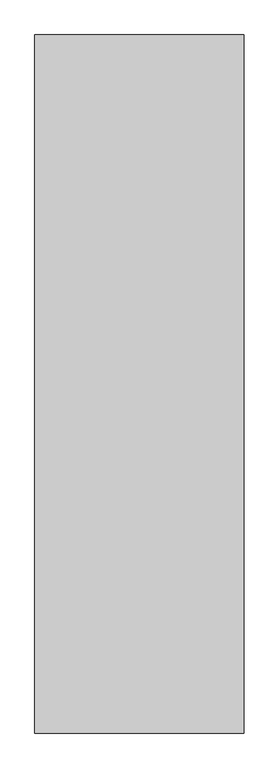
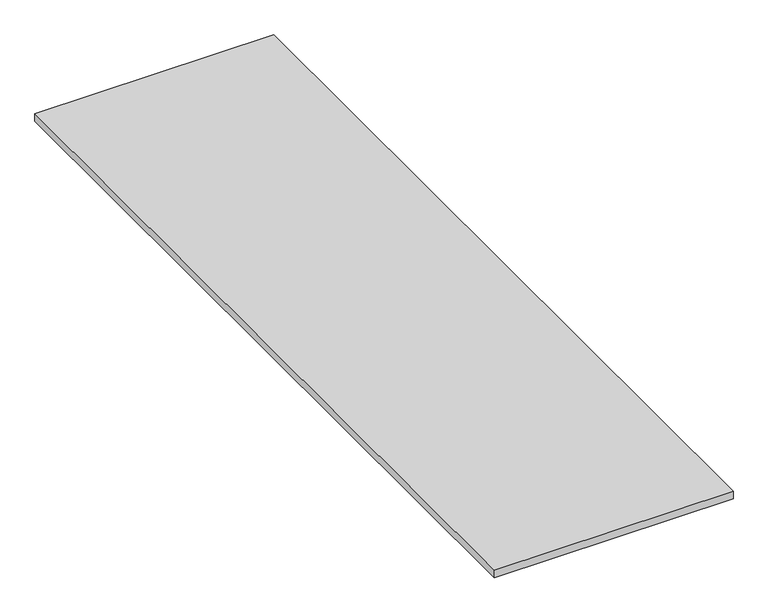
"""IFC4 building model written with IfcOpenShell, lengths in millimetres: proxy geometry."""

from ifc_helpers import new_model, si_unit, origin, origin_with_axes, place, context, project, spatial, polyline, outline, extrude, source, transform, mapped, element, save


def generic_models_d9e53d5a(model_context):
    return source(origin(), model_context, "Body", "SweptSolid", [
        extrude(outline(polyline([(11159.4865951, 4047.1625159), (11159.4865951, 2047.1625159), (10559.4865951, 2047.1625159), (10559.4865951, 4047.1625159), (11159.4865951, 4047.1625159)])), origin_with_axes(), (0.0, 0.0, 1.0), 20.0),
    ])


if __name__ == "__main__":
    model = new_model("IFC4")
    model_context = context("Model", 3, world=origin())
    ifc_project = project(units=[si_unit("LENGTHUNIT", "METRE", prefix="MILLI")], contexts=[model_context])
    site = spatial("IfcSite", under=ifc_project)
    building = spatial("IfcBuilding", under=site)
    placement = place(None, origin())
    generic_models_shape = generic_models_d9e53d5a(model_context)
    element("IfcBuildingElementProxy", 1, Name="Generic Models", at=placement, inside=building, context=model_context, shape_type="MappedRepresentation", body=[
        mapped(generic_models_shape, transform((0.0, 0.0, 0.0), x_axis=(1.0, 0.0, 0.0), y_axis=(0.0, 1.0, 0.0), z_axis=(0.0, 0.0, 1.0))),
    ])
    save(model, "model.ifc")
